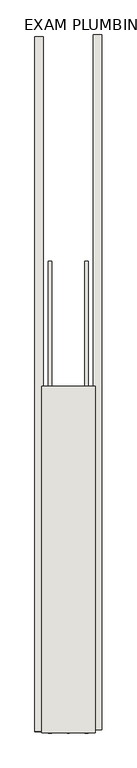
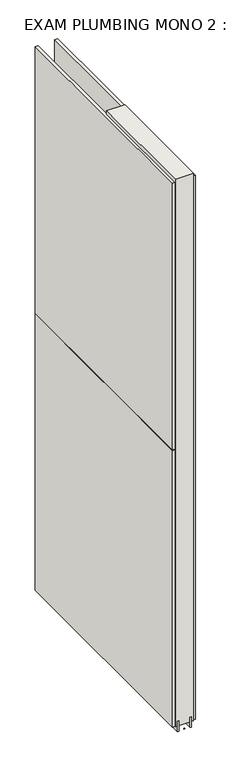
"""IFC4 building model written with IfcOpenShell, lengths in millimetres: wall geometry, EXAM PLUMBING MONO 2 : EXAM PLUMBING MONO 2."""

from ifc_helpers import new_model, si_unit, frame, origin, place, context, project, spatial, polyline, outline, extrude, source, transform, mapped, element, save


def exam_plumbing_mono_2_exam_plumbing_mono_2_81d1d9dd(model_context):
    return source(origin(), model_context, "Body", "SweptSolid", [
        extrude(outline(polyline([(64721.142211, -55669.3883562), (64721.142211, -55666.8483562), (64723.682211, -55666.8483562), (64723.682211, -55669.3883562), (64721.142211, -55669.3883562)])), frame((0.0, 0.0, 4419.6), z_axis=(0.0, 0.0, 1.0), x_axis=(1.0, 0.0, 0.0)), (0.0, 0.0, 1.0), 2.54),
        extrude(outline(polyline([(64773.212211, -54608.6911126), (64773.212211, -55664.9252206), (64760.512211, -55664.9252206), (64760.512211, -54608.6911126), (64773.212211, -54608.6911126)])), frame((0.0, 0.0, 4445.0), z_axis=(0.0, 0.0, 1.0), x_axis=(1.0, 0.0, 0.0)), (0.0, 0.0, 1.0), 2545.0498756),
        extrude(outline(polyline([(64671.612211, -55667.3932624), (64671.612211, -54611.1591544), (64684.312211, -54611.1591544), (64684.312211, -55667.3932624), (64671.612211, -55667.3932624)])), frame((0.0, 0.0, 4445.0), z_axis=(0.0, 0.0, 1.0), x_axis=(1.0, 0.0, 0.0)), (0.0, 0.0, 1.0), 1293.400004),
        extrude(outline(polyline([(64671.612211, -55667.3932624), (64671.612211, -54611.1591544), (64684.312211, -54611.1591544), (64684.312211, -55667.3932624), (64671.612211, -55667.3932624)])), frame((0.0, 0.0, 5742.4000722), z_axis=(0.0, 0.0, 1.0), x_axis=(1.0, 0.0, 0.0)), (0.0, 0.0, 1.0), 1247.649905),
        extrude(outline(polyline([(64747.4959556, -55669.3834032), (64747.4959556, -54952.0628414), (64752.574711, -54952.0628414), (64752.574711, -55669.3834032), (64747.4959556, -55669.3834032)])), frame((0.0, 0.0, 4418.6602), z_axis=(0.0, 0.0, 1.0), x_axis=(1.0, 0.0, 0.0)), (0.0, 0.0, 1.0), 47.625),
        extrude(outline(polyline([(64747.4959556, -55669.3834032), (64747.4959556, -54952.0628414), (64752.574711, -54952.0628414), (64752.574711, -55669.3834032), (64747.4959556, -55669.3834032)])), frame((0.0, 0.0, 4418.6602), z_axis=(0.0, 0.0, 1.0), x_axis=(1.0, 0.0, 0.0)), (0.0, 0.0, 1.0), 47.625),
        extrude(outline(polyline([(64697.3284664, -54952.0628414), (64697.3284664, -55669.3834032), (64692.249711, -55669.3834032), (64692.249711, -54952.0628414), (64697.3284664, -54952.0628414)])), frame((0.0, 0.0, 4418.6602), z_axis=(0.0, 0.0, 1.0), x_axis=(1.0, 0.0, 0.0)), (0.0, 0.0, 1.0), 47.625),
        extrude(outline(polyline([(64697.3284664, -54952.0628414), (64697.3284664, -55669.3834032), (64692.249711, -55669.3834032), (64692.249711, -54952.0628414), (64697.3284664, -54952.0628414)])), frame((0.0, 0.0, 4418.6602), z_axis=(0.0, 0.0, 1.0), x_axis=(1.0, 0.0, 0.0)), (0.0, 0.0, 1.0), 47.625),
        extrude(outline(polyline([(64763.0670954, -55669.3834032), (64681.7573266, -55669.3834032), (64681.7573266, -55142.5628414), (64763.0670954, -55142.5628414), (64763.0670954, -55669.3834032)])), frame((0.0, 0.0, 4445.0), z_axis=(0.0, 0.0, 1.0), x_axis=(1.0, 0.0, 0.0)), (0.0, 0.0, 1.0), 2562.4536762),
    ])


if __name__ == "__main__":
    model = new_model("IFC4")
    model_context = context("Model", 3, world=origin())
    ifc_project = project(units=[si_unit("LENGTHUNIT", "METRE", prefix="MILLI")], contexts=[model_context])
    site = spatial("IfcSite", under=ifc_project)
    building = spatial("IfcBuilding", under=site)
    placement = place(None, origin())
    exam_plumbing_mono_2_exam_plumbing_mono_2_shape = exam_plumbing_mono_2_exam_plumbing_mono_2_81d1d9dd(model_context)
    element("IfcWall", 1, ObjectType="EXAM PLUMBING MONO 2 : EXAM PLUMBING MONO 2", at=placement, inside=building, context=model_context, shape_type="MappedRepresentation", body=[
        mapped(exam_plumbing_mono_2_exam_plumbing_mono_2_shape, transform((0.0, 0.0, 0.0), x_axis=(1.0, 0.0, 0.0), y_axis=(0.0, 1.0, 0.0), z_axis=(0.0, 0.0, 1.0))),
    ])
    save(model, "model.ifc")
